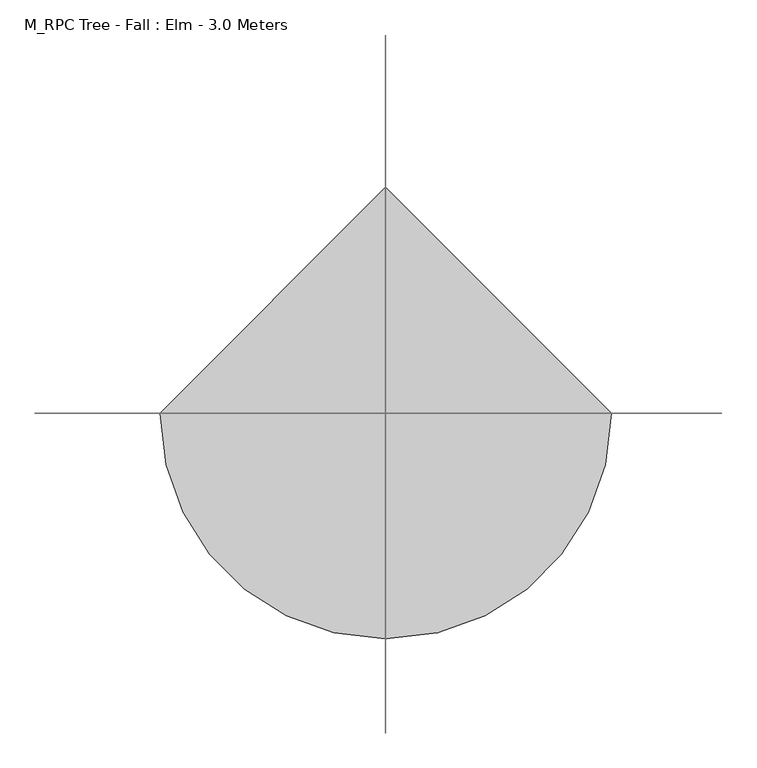
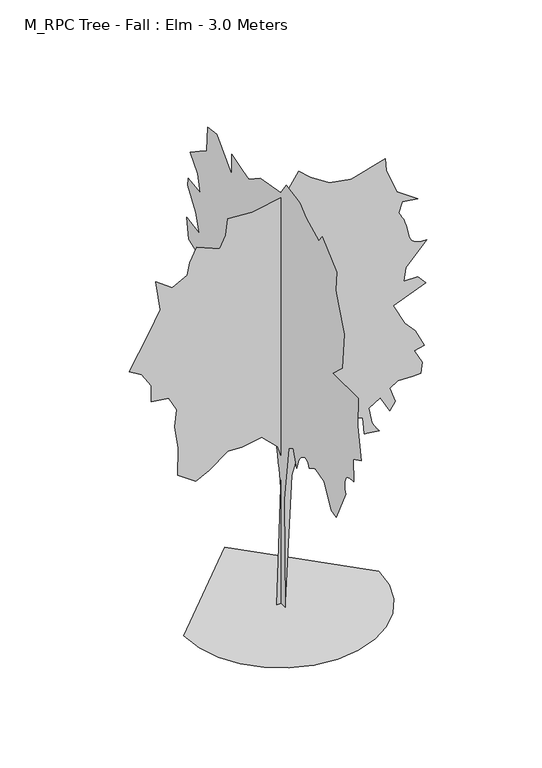
"""IFC4 building model written with IfcOpenShell, lengths in millimetres: geographic element geometry, M_RPC Tree - Fall : Elm - 3.0 Meters."""

from ifc_helpers import new_model, si_unit, origin, place, context, project, spatial, triangles, source, transform, mapped, element, save


def m_rpc_tree_fall_elm_3_0_meters_5128d36c(model_context):
    return source(origin(), model_context, "Body", "Tessellation", [
        triangles([(0.0024752, -46.8779798, 0.2315082), (0.0024987, -35.2959856, 752.9947357), (0.0025048, -87.4147134, 1140.9895849), (0.0025004, -139.5331982, 1175.7345572), (0.0024927, -180.0699317, 1059.9170626), (0.0024929, -183.9024194, 1077.2721079), (0.0024929, -188.3934244, 1094.5270866), (0.0024928, -194.2011731, 1111.5795341), (0.0024925, -201.9841646, 1128.3270584), (0.0024919, -212.4014248, 1144.6695202), (0.0024909, -226.1106534, 1160.5070709), (0.0024896, -243.770404, 1175.7345572), (0.002488, -261.937391, 1186.7420248), (0.0024865, -277.0648833, 1190.7620556), (0.0024852, -289.6598813, 1188.9545351), (0.0024839, -300.2273867, 1182.4895227), (0.0024826, -309.2773793, 1172.5270494), (0.0024814, -317.3148611, 1160.2370293), (0.0024802, -324.8448884, 1146.7795658), (0.0024742, -394.3348329, 1187.3170624), (0.0024625, -498.572293, 1158.362071), (0.0024495, -579.644779, 1007.7971334), (0.0024436, -631.7647808, 990.4246473), (0.0024388, -741.7922218, 1216.2720537), (0.0024397, -738.1446974, 1232.3945435), (0.0024405, -734.9547031, 1248.4669636), (0.0024412, -732.6746824, 1264.4395351), (0.0024418, -731.7622381, 1280.2594997), (0.0024421, -732.6746824, 1295.8770058), (0.0024423, -735.8672201, 1311.2394402), (0.0024421, -741.7922218, 1326.2994221), (0.0024416, -750.4196749, 1339.1644798), (0.0024407, -761.174687, 1348.3844112), (0.0024396, -773.7021927, 1354.5619411), (0.0024383, -787.6471991, 1358.3095322), (0.0024368, -802.657184, 1360.2344147), (0.0024351, -818.374684, 1360.9444004), (0.0024335, -834.4471767, 1361.0443943), (0.0024387, -828.6571959, 1517.4018562), (0.0024304, -921.3121508, 1563.7294064), (0.0024412, -880.7746542, 1783.7842884), (0.0024465, -886.5671785, 1980.6767761), (0.0024767, -597.0172651, 1980.6767761), (0.0024688, -701.2547253, 2079.1242554), (0.0024739, -724.4197357, 2333.9265804), (0.0024852, -660.7197721, 2490.2814262), (0.0024916, -625.9722565, 2582.9240273), (0.0024944, -637.5547617, 2716.1240364), (0.0025158, -475.409826, 2866.6988571), (0.0025184, -434.8723294, 2814.5738411), (0.0025356, -290.0973909, 2884.0739594), (0.0025454, -214.8159213, 2947.7738503), (0.0025625, -58.4602262, 2976.7238274), (0.0025664, 5.2403227, 2884.0739594), (0.00259, 242.6693992, 2843.5238182), (0.0026013, 375.8623412, 2756.6738869), (0.0026091, 445.352322, 2774.0489891), (0.0026229, 566.9622683, 2814.5738411), (0.0026186, 566.9622683, 2669.7989571), (0.0026421, 740.6922163, 2849.3237549), (0.0026526, 844.927133, 2837.74888), (0.0026508, 850.7196573, 2756.6738869), (0.0026487, 856.5096382, 2663.9990204), (0.0026556, 937.5846313, 2611.8990028), (0.0026648, 1047.6120724, 2536.5989479), (0.0026528, 960.7470984, 2438.1614971), (0.0026463, 931.792107, 2322.3441479), (0.0026613, 1070.774612, 2339.716634), (0.0026604, 1076.5670637, 2287.5990303), (0.0026468, 983.9121088, 2154.4067242), (0.0026389, 943.3746122, 2032.7967052), (0.0026547, 1088.1495689, 2055.9592449), (0.0026481, 1064.9845585, 1916.9767399), (0.002638, 978.1195845, 1882.2317677), (0.002625, 856.5096382, 1870.6493351), (0.0026184, 827.5546469, 1749.0393162), (0.0026034, 729.1097111, 1592.684325), (0.0025972, 671.1997284, 1586.891946), (0.0025886, 601.7072768, 1540.5643959), (0.0025892, 642.2447371, 1418.954377), (0.0025814, 590.1272787, 1337.882), (0.0025787, 595.9172596, 1227.8545589), (0.0025839, 671.1997284, 1140.9895849), (0.0025751, 595.9172596, 1106.24454), (0.0025756, 561.1722874, 1245.2270451), (0.0025688, 497.4722875, 1239.4345207), (0.00256, 433.7698168, 1169.9445763), (0.0025581, 445.352322, 1065.7071161), (0.002557, 462.7248081, 967.2621077), (0.0025513, 393.2348637, 1019.379566), (0.002557, 404.8173326, 1169.9445763), (0.0025537, 352.6973671, 1239.4345207), (0.0025363, 184.7599252, 1245.2270451), (0.0025215, 68.9409727, 1152.5720175), (0.0025144, 40.0707327, 1016.8795732), (0.0025122, 31.3927377, 973.777117), (0.0025102, 23.5250652, 932.4971512), (0.0025083, 16.6705179, 893.4971334), (0.0025066, 11.0315453, 857.2321959), (0.0025047, 7.5873968, 804.759672), (0.0025021, 6.8783223, 720.3772499), (0.002499, 8.4484714, 609.4047721), (0.0024831, 28.404489, 0.2315127), (-29.874739, -0.012947, 0.0), (5.1435479, -0.013067, 1021.4696274), (-24.0382652, -0.0130744, 1109.0145744), (-129.092947, -0.0130905, 1214.0694992), (-263.3298932, -0.0130801, 1190.7245579), (-356.7123473, -0.0130865, 1196.5595215), (-479.2748154, -0.0130694, 1103.1795382), (-566.8197624, -0.0130708, 1056.487112), (-689.3847376, -0.013084, 1144.0320591), (-683.5472305, -0.0131038, 1330.7969673), (-706.8947153, -0.0131188, 1488.3793545), (-695.2197012, -0.0131317, 1605.1068226), (-747.7472363, -0.0131503, 1704.324313), (-864.4746317, -0.0131452, 1721.8342907), (-864.4746317, -0.0131568, 1832.7243244), (-928.6746374, -0.0131747, 1931.9416695), (-1010.3846209, -0.0131753, 1984.4692772), (-881.9846821, -0.0132061, 2206.2516701), (-806.1122057, -0.0132252, 2346.3240795), (-835.2946541, -0.0132454, 2556.4239006), (-724.4022223, -0.0132435, 2474.7265617), (-625.1847319, -0.0132435, 2527.2489372), (-607.6747541, -0.013253, 2608.9738907), (-560.9847625, -0.0132656, 2702.3490051), (-409.239846, -0.0132565, 2638.1488541), (-368.3848543, -0.0132675, 2719.8488091), (-356.7123473, -0.0132797, 2830.7490166), (-193.2929255, -0.0132769, 2819.0738571), (22.6526666, -0.0132826, 2859.9239799), (116.0347052, -0.0133028, 2999.9988602), (191.9074177, -0.0132886, 2929.973774), (320.3073747, -0.0132877, 2848.2488205), (466.2173275, -0.013282, 2819.0738571), (693.8347567, -0.0132909, 2883.2740082), (699.672191, -0.0132827, 2801.5737625), (769.707233, -0.0132572, 2626.4739853), (909.7796425, -0.0132438, 2527.2489372), (804.7271885, -0.0132508, 2544.7740303), (781.3797037, -0.0132421, 2474.7265617), (792.5947168, -0.0132408, 2455.8541672), (803.5521875, -0.0132394, 2436.3214931), (813.9996603, -0.0132264, 2415.4591038), (823.6822088, -0.0132246, 2392.6065742), (832.3421453, -0.0132225, 2367.1015903), (839.7271597, -0.0132199, 2338.2766056), (845.5796368, -0.0132169, 2305.4716312), (853.1346989, -0.0132141, 2275.0465988), (865.284684, -0.0132125, 2252.8915558), (881.2621244, -0.0132119, 2237.6291153), (900.3021687, -0.013212, 2227.879129), (921.6421452, -0.0132127, 2222.2640648), (944.5096447, -0.0132138, 2219.4066811), (968.1446119, -0.0132036, 2217.9240681), (828.0722025, -0.0131915, 2072.016695), (816.3996592, -0.013181, 1978.6341682), (909.7821133, -0.0131752, 1978.6341682), (962.3071049, -0.0131722, 1920.2692715), (746.362219, -0.0131616, 1832.7243244), (822.2346954, -0.0131389, 1680.9793716), (892.2721355, -0.0131352, 1605.1068226), (950.6346342, -0.0131259, 1482.5419201), (886.4346285, -0.0131202, 1465.0344131), (938.9621635, -0.0131016, 1365.814452), (927.2896202, -0.0130936, 1295.7794827), (874.7621578, -0.0131013, 1289.9420483), (775.5446674, -0.013096, 1295.7794827), (723.017205, -0.0130892, 1260.7595272), (758.0346897, -0.0130803, 1155.7070732), (723.017205, -0.0130728, 1103.1795382), (658.817272, -0.0130919, 1214.0694992), (582.9447593, -0.0130825, 1167.3795439), (600.4522662, -0.0130744, 1079.8320534), (603.974762, -0.0130731, 1065.164562), (609.3347546, -0.0130719, 1051.109606), (616.2272844, -0.0130709, 1037.5671186), (624.3422688, -0.01307, 1024.4296211), (633.3797258, -0.0130692, 1011.5995903), (643.0272474, -0.0130571, 998.9746342), (652.9797649, -0.0130564, 986.4521427), (553.7622746, -0.0130631, 998.1246134), (542.0898039, -0.0130746, 1114.8520815), (472.0523274, -0.0130842, 1138.1970228), (402.0173581, -0.0130861, 1196.5595215), (285.28989, -0.0130912, 1202.3970285), (285.28989, -0.013064, 1050.6520758), (221.0894119, -0.0130709, 1044.8145687), (238.5984086, -0.013086, 1179.0520145), (145.216445, -0.0130749, 1126.5245522), (69.3437234, -0.0130442, 875.5596382), (28.4889883, -0.0129391, 0.1155707), (-649.9047346, 1e-05, 0.2273569), (-632.7247513, -148.915438, 0.2273472), (-583.7922729, -285.6698813, 0.2273362), (-507.0273002, -406.3473264, 0.2273242), (-406.3473264, -507.0273002, 0.2273122), (-285.6698813, -583.7922729, 0.2273004), (-148.9151927, -632.7247513, 0.2272894), (2.84e-05, -649.9047346, 0.2272794), (148.915438, -632.7247513, 0.2272717), (285.6698813, -583.7922729, 0.2272664), (406.3473264, -507.0273002, 0.2272639), (507.0273002, -406.3473264, 0.2272639), (583.7922729, -285.6698813, 0.2272664), (632.7247513, -148.9151927, 0.2272717), (649.9047346, 5.79e-05, 0.2272794), (-8.52e-05, 649.9047346, 0.2273569)], [[4, 5, 6], [4, 6, 7], [88, 89, 90], [88, 90, 91], [87, 88, 91], [4, 7, 8], [4, 8, 9], [71, 72, 73], [71, 73, 74], [57, 58, 59], [82, 83, 84], [82, 84, 85], [81, 82, 85], [71, 74, 75], [64, 65, 66], [48, 49, 50], [4, 9, 10], [102, 103, 1], [102, 1, 2], [101, 102, 2], [100, 101, 2], [100, 2, 3], [99, 100, 3], [98, 99, 3], [97, 98, 3], [96, 97, 3], [95, 96, 3], [37, 38, 39], [41, 42, 43], [18, 19, 20], [94, 95, 3], [67, 68, 69], [67, 69, 70], [36, 37, 39], [22, 23, 24], [21, 22, 24], [21, 24, 25], [21, 25, 26], [60, 61, 62], [59, 60, 62], [59, 62, 63], [21, 26, 27], [17, 18, 20], [39, 40, 41], [35, 36, 39], [4, 10, 11], [47, 48, 50], [21, 27, 28], [81, 85, 86], [39, 41, 43], [52, 53, 54], [34, 35, 39], [21, 28, 29], [16, 17, 20], [51, 52, 54], [56, 57, 59], [87, 91, 92], [86, 87, 92], [76, 77, 78], [79, 80, 81], [4, 11, 12], [63, 64, 66], [59, 63, 66], [59, 66, 67], [21, 29, 30], [20, 21, 30], [20, 30, 31], [81, 86, 92], [79, 81, 92], [79, 92, 93], [34, 39, 43], [33, 34, 43], [32, 33, 43], [31, 32, 43], [20, 31, 43], [16, 20, 43], [15, 16, 43], [14, 15, 43], [13, 14, 43], [43, 44, 45], [43, 45, 46], [94, 3, 4], [93, 94, 4], [12, 13, 43], [4, 12, 43], [93, 4, 43], [79, 93, 43], [79, 43, 46], [79, 46, 47], [79, 47, 50], [79, 50, 51], [79, 51, 54], [79, 54, 55], [79, 55, 56], [79, 56, 59], [79, 59, 67], [78, 79, 67], [76, 78, 67], [75, 76, 67], [71, 75, 67], [71, 67, 70], [139, 140, 141], [181, 182, 183], [122, 123, 124], [155, 156, 157], [180, 181, 183], [154, 155, 157], [171, 172, 173], [170, 171, 173], [179, 180, 183], [159, 160, 161], [158, 159, 161], [153, 154, 157], [179, 183, 184], [178, 179, 184], [177, 178, 184], [176, 177, 184], [175, 176, 184], [174, 175, 184], [188, 189, 190], [187, 188, 190], [136, 137, 138], [163, 164, 165], [132, 133, 134], [193, 104, 105], [192, 193, 105], [191, 192, 105], [191, 105, 106], [129, 130, 131], [152, 153, 157], [119, 120, 121], [126, 127, 128], [116, 117, 118], [166, 167, 168], [174, 184, 185], [125, 126, 128], [165, 166, 168], [165, 168, 169], [151, 152, 157], [136, 138, 139], [110, 111, 112], [110, 112, 113], [109, 110, 113], [109, 113, 114], [109, 114, 115], [132, 134, 135], [174, 185, 186], [191, 106, 107], [190, 191, 107], [108, 109, 115], [107, 108, 115], [162, 163, 165], [162, 165, 169], [162, 169, 170], [118, 119, 121], [139, 141, 142], [136, 139, 142], [173, 174, 186], [162, 170, 173], [162, 173, 186], [161, 162, 186], [161, 186, 187], [150, 151, 157], [116, 118, 121], [116, 121, 122], [116, 122, 124], [116, 124, 125], [116, 125, 128], [115, 116, 128], [107, 115, 128], [190, 107, 128], [187, 190, 128], [161, 187, 128], [158, 161, 128], [157, 158, 128], [150, 157, 128], [149, 150, 128], [148, 149, 128], [147, 148, 128], [146, 147, 128], [145, 146, 128], [144, 145, 128], [143, 144, 128], [142, 143, 128], [136, 142, 128], [135, 136, 128], [132, 135, 128], [131, 132, 128], [129, 131, 128], [208, 209, 194], [207, 208, 194], [207, 194, 195], [206, 207, 195], [206, 195, 196], [206, 196, 197], [205, 206, 197], [204, 205, 197], [204, 197, 198], [204, 198, 199], [204, 199, 200], [204, 200, 201], [204, 201, 202], [204, 202, 203]], closed=False),
    ])


if __name__ == "__main__":
    model = new_model("IFC4")
    model_context = context("Model", 3, world=origin())
    ifc_project = project(units=[si_unit("LENGTHUNIT", "METRE", prefix="MILLI")], contexts=[model_context])
    site = spatial("IfcSite", under=ifc_project)
    building = spatial("IfcBuilding", under=site)
    placement = place(None, origin())
    m_rpc_tree_fall_elm_3_0_meters_shape = m_rpc_tree_fall_elm_3_0_meters_5128d36c(model_context)
    element("IfcGeographicElement", 1, ObjectType="M_RPC Tree - Fall : Elm - 3.0 Meters", at=placement, inside=building, context=model_context, shape_type="MappedRepresentation", body=[
        mapped(m_rpc_tree_fall_elm_3_0_meters_shape, transform((0.0, 0.0, 0.0), x_axis=(1.0, 0.0, 0.0), y_axis=(0.0, 1.0, 0.0), z_axis=(0.0, 0.0, 1.0))),
    ])
    save(model, "model.ifc")
